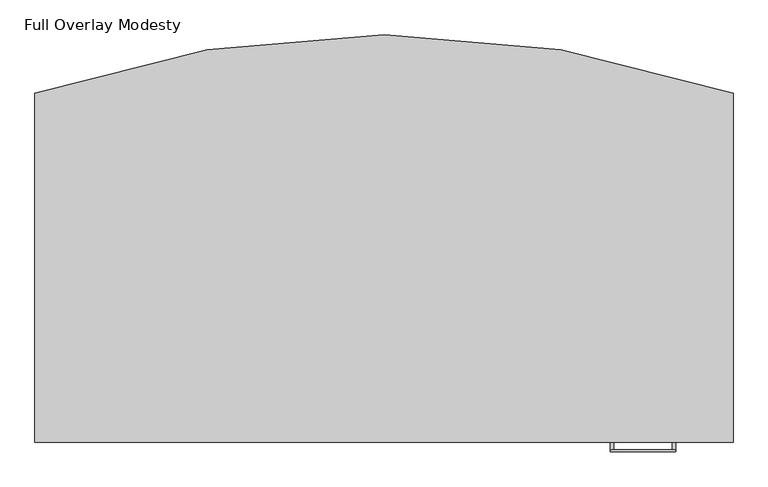
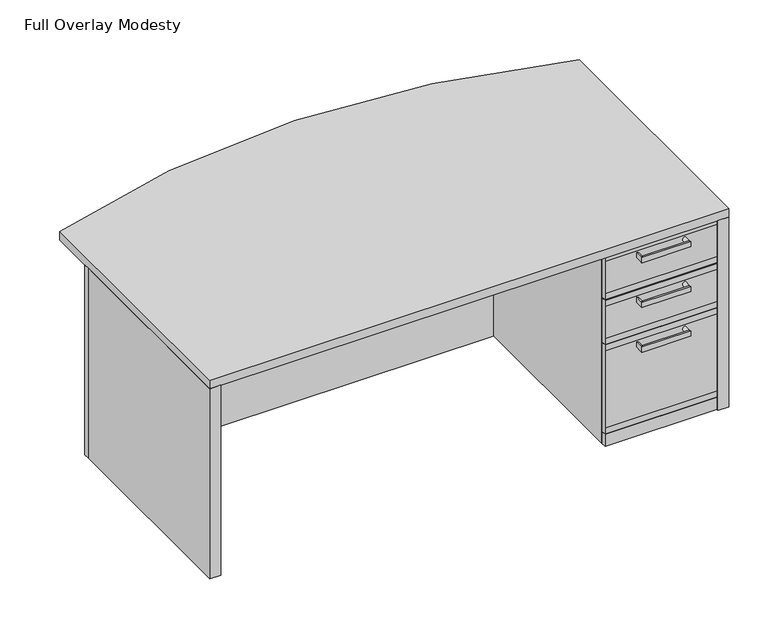
"""IFC4 building model written with IfcOpenShell, lengths in millimetres: furniture geometry, Full Overlay Modesty."""

from ifc_helpers import new_model, si_unit, point, frame, frame_2d, origin, origin_with_axes, place, context, project, spatial, polyline, circle_curve, trimmed, segment, composite_curve, outline, extrude, source, transform, mapped, element, save
from ifc_brep_helpers import plane_surface, cylinder_surface, advanced_brep


def full_overlay_modesty_787d9681(model_context):
    return source(origin(), model_context, "Body", "SolidModel", [
        advanced_brep(
        [(1331.11875, -1162.05, 665.1625), (1331.11875, -1162.05, 684.2125), (1331.11875, -1187.4500121, 684.2125), (1331.11875, -1187.4500121, 665.1625), (1331.11875, -1193.7999879, 665.1625), (1331.11875, -1193.7999879, 684.2125), (1502.56875, -1162.05, 665.1960294), (1502.56875, -1162.05, 684.1789706), (1502.56875, -1187.4500121, 665.1960294), (1502.56875, -1187.4500121, 684.1789706), (1502.56875, -1193.7999879, 684.2125), (1502.56875, -1193.7999879, 665.1625)],
        [
            (0, 1),
            (1, 0, circle_curve(frame((1331.11875, -1162.05, 674.6875), z_axis=(0.0, 1.0, 0.0), x_axis=(1.0, 0.0, 0.0)), 9.525)),
            (1, 2),
            (2, 3, circle_curve(frame((1331.11875, -1187.4500121, 674.6875), z_axis=(0.0, 1.0, 0.0), x_axis=(1.0, 0.0, 0.0)), 9.525)),
            (3, 0),
            (3, 4),
            (4, 5),
            (5, 2),
            (6, 7, circle_curve(frame((1502.56875, -1162.05, 674.6875), z_axis=(0.0, 1.0, 0.0), x_axis=(-1.0, 0.0, 0.0)), 9.4914706)),
            (7, 6),
            (6, 8),
            (8, 9, circle_curve(frame((1502.56875, -1187.4500121, 674.6875), z_axis=(0.0, 1.0, 0.0), x_axis=(-1.0, 0.0, 0.0)), 9.4914706)),
            (9, 7),
            (9, 10),
            (10, 11),
            (11, 8),
            (10, 5),
            (4, 11),
            (8, 3),
            (2, 9),
        ],
        [
            plane_surface(frame((1340.64375, -1162.05, 674.6875), z_axis=(0.0, 1.0, 0.0), x_axis=(0.0, 0.0, -1.0))),
            cylinder_surface(frame((1331.11875, -1162.05, 674.6875), z_axis=(0.0, -1.0, 0.0), x_axis=(1.0, 0.0, 0.0)), 9.525),
            plane_surface(frame((1331.11875, -1187.4500121, 684.2125), z_axis=(-1.0, 0.0, 0.0), x_axis=(0.0, 1.0, 0.0))),
            plane_surface(frame((1502.56875, -1162.05, 684.1789706), z_axis=(0.0, 1.0, 0.0), x_axis=(0.0, 0.0, -1.0))),
            cylinder_surface(frame((1502.56875, -1162.05, 674.6875), z_axis=(0.0, -1.0, 0.0), x_axis=(-1.0, 0.0, 0.0)), 9.4914706),
            plane_surface(frame((1502.56875, -1187.4500121, 665.1960294), z_axis=(1.0, 0.0, 0.0), x_axis=(0.0, 1.0, 0.0))),
            plane_surface(frame((1331.11875, -1193.7999879, 684.2125), z_axis=(0.0, -1.0, 0.0), x_axis=(-1.0, 0.0, 0.0))),
            plane_surface(frame((1331.11875, -1187.4500121, 684.2125), z_axis=(0.0, 1.0, 0.0), x_axis=(1.0, 0.0, 0.0))),
            plane_surface(frame((1331.11875, -1193.7999879, 665.1625), z_axis=(0.0, 0.0, -1.0), x_axis=(0.0, 1.0, 0.0))),
            plane_surface(frame((1502.56875, -1193.7999879, 684.2125), z_axis=(0.0, 0.0, 1.0), x_axis=(0.0, 1.0, 0.0))),
        ],
        [
            (0, [[1, 2]]),
            (1, [[-2, 3, 4, 5]]),
            (2, [[-1, -5, 6, 7, 8, -3]]),
            (3, [[9, 10]]),
            (4, [[-9, 11, 12, 13]]),
            (5, [[-10, -13, 14, 15, 16, -11]]),
            (6, [[17, -7, 18, -15]]),
            (7, [[19, -4, 20, -12]]),
            (8, [[-18, -6, -19, -16]]),
            (9, [[-17, -14, -20, -8]]),
        ],
    ),
        extrude(outline(polyline([(-1146.175, 711.2), (-1143.0, 711.2), (-1143.0, 547.6875), (-1146.175, 547.6875), (-1162.05, 547.6875), (-1162.05, 569.9125), (-1162.05, 688.975), (-1162.05, 711.2), (-1146.175, 711.2)])), frame((1219.99375, 0.0, 0.0), z_axis=(1.0, 0.0, 0.0), x_axis=(0.0, 1.0, 0.0)), (0.0, 0.0, 1.0), 393.7),
        advanced_brep(
        [(1331.11875, -1162.05, 498.475), (1331.11875, -1162.05, 517.525), (1331.11875, -1187.4500121, 517.525), (1331.11875, -1187.4500121, 498.475), (1331.11875, -1193.7999879, 498.475), (1331.11875, -1193.7999879, 517.525), (1502.56875, -1162.05, 498.5085294), (1502.56875, -1162.05, 517.4914706), (1502.56875, -1187.4500121, 498.5085294), (1502.56875, -1187.4500121, 517.4914706), (1502.56875, -1193.7999879, 517.525), (1502.56875, -1193.7999879, 498.475)],
        [
            (0, 1),
            (1, 0, circle_curve(frame((1331.11875, -1162.05, 508.0), z_axis=(0.0, 1.0, 0.0), x_axis=(1.0, 0.0, 0.0)), 9.525)),
            (1, 2),
            (2, 3, circle_curve(frame((1331.11875, -1187.4500121, 508.0), z_axis=(0.0, 1.0, 0.0), x_axis=(1.0, 0.0, 0.0)), 9.525)),
            (3, 0),
            (3, 4),
            (4, 5),
            (5, 2),
            (6, 7, circle_curve(frame((1502.56875, -1162.05, 508.0), z_axis=(0.0, 1.0, 0.0), x_axis=(-1.0, 0.0, 0.0)), 9.4914706)),
            (7, 6),
            (6, 8),
            (8, 9, circle_curve(frame((1502.56875, -1187.4500121, 508.0), z_axis=(0.0, 1.0, 0.0), x_axis=(-1.0, 0.0, 0.0)), 9.4914706)),
            (9, 7),
            (9, 10),
            (10, 11),
            (11, 8),
            (10, 5),
            (4, 11),
            (8, 3),
            (2, 9),
        ],
        [
            plane_surface(frame((1340.64375, -1162.05, 508.0), z_axis=(0.0, 1.0, 0.0), x_axis=(0.0, 0.0, -1.0))),
            cylinder_surface(frame((1331.11875, -1162.05, 508.0), z_axis=(0.0, -1.0, 0.0), x_axis=(1.0, 0.0, 0.0)), 9.525),
            plane_surface(frame((1331.11875, -1187.4500121, 517.525), z_axis=(-1.0, 0.0, 0.0), x_axis=(0.0, 1.0, 0.0))),
            plane_surface(frame((1502.56875, -1162.05, 517.4914706), z_axis=(0.0, 1.0, 0.0), x_axis=(0.0, 0.0, -1.0))),
            cylinder_surface(frame((1502.56875, -1162.05, 508.0), z_axis=(0.0, -1.0, 0.0), x_axis=(-1.0, 0.0, 0.0)), 9.4914706),
            plane_surface(frame((1502.56875, -1187.4500121, 498.5085294), z_axis=(1.0, 0.0, 0.0), x_axis=(0.0, 1.0, 0.0))),
            plane_surface(frame((1331.11875, -1193.7999879, 517.525), z_axis=(0.0, -1.0, 0.0), x_axis=(-1.0, 0.0, 0.0))),
            plane_surface(frame((1331.11875, -1187.4500121, 517.525), z_axis=(0.0, 1.0, 0.0), x_axis=(1.0, 0.0, 0.0))),
            plane_surface(frame((1331.11875, -1193.7999879, 498.475), z_axis=(0.0, 0.0, -1.0), x_axis=(0.0, 1.0, 0.0))),
            plane_surface(frame((1502.56875, -1193.7999879, 517.525), z_axis=(0.0, 0.0, 1.0), x_axis=(0.0, 1.0, 0.0))),
        ],
        [
            (0, [[1, 2]]),
            (1, [[-2, 3, 4, 5]]),
            (2, [[-1, -5, 6, 7, 8, -3]]),
            (3, [[9, 10]]),
            (4, [[-9, 11, 12, 13]]),
            (5, [[-10, -13, 14, 15, 16, -11]]),
            (6, [[17, -7, 18, -15]]),
            (7, [[19, -4, 20, -12]]),
            (8, [[-18, -6, -19, -16]]),
            (9, [[-17, -14, -20, -8]]),
        ],
    ),
        extrude(outline(polyline([(-1146.175, 544.5125), (-1143.0, 544.5125), (-1143.0, 381.0), (-1146.175, 381.0), (-1162.05, 381.0), (-1162.05, 403.225), (-1162.05, 522.2875), (-1162.05, 544.5125), (-1146.175, 544.5125)])), frame((1219.99375, 0.0, 0.0), z_axis=(1.0, 0.0, 0.0), x_axis=(0.0, 1.0, 0.0)), (0.0, 0.0, 1.0), 393.7),
        advanced_brep(
        [(1331.11875, -1162.05, 331.7875), (1331.11875, -1162.05, 350.8375), (1331.11875, -1187.4500121, 350.8375), (1331.11875, -1187.4500121, 331.7875), (1331.11875, -1193.7999879, 331.7875), (1331.11875, -1193.7999879, 350.8375), (1502.56875, -1162.05, 331.8210294), (1502.56875, -1162.05, 350.8039706), (1502.56875, -1187.4500121, 331.8210294), (1502.56875, -1187.4500121, 350.8039706), (1502.56875, -1193.7999879, 350.8375), (1502.56875, -1193.7999879, 331.7875)],
        [
            (0, 1),
            (1, 0, circle_curve(frame((1331.11875, -1162.05, 341.3125), z_axis=(0.0, 1.0, 0.0), x_axis=(1.0, 0.0, 0.0)), 9.525)),
            (1, 2),
            (2, 3, circle_curve(frame((1331.11875, -1187.4500121, 341.3125), z_axis=(0.0, 1.0, 0.0), x_axis=(1.0, 0.0, 0.0)), 9.525)),
            (3, 0),
            (3, 4),
            (4, 5),
            (5, 2),
            (6, 7, circle_curve(frame((1502.56875, -1162.05, 341.3125), z_axis=(0.0, 1.0, 0.0), x_axis=(-1.0, 0.0, 0.0)), 9.4914706)),
            (7, 6),
            (6, 8),
            (8, 9, circle_curve(frame((1502.56875, -1187.4500121, 341.3125), z_axis=(0.0, 1.0, 0.0), x_axis=(-1.0, 0.0, 0.0)), 9.4914706)),
            (9, 7),
            (9, 10),
            (10, 11),
            (11, 8),
            (10, 5),
            (4, 11),
            (8, 3),
            (2, 9),
        ],
        [
            plane_surface(frame((1340.64375, -1162.05, 341.3125), z_axis=(0.0, 1.0, 0.0), x_axis=(0.0, 0.0, -1.0))),
            cylinder_surface(frame((1331.11875, -1162.05, 341.3125), z_axis=(0.0, -1.0, 0.0), x_axis=(1.0, 0.0, 0.0)), 9.525),
            plane_surface(frame((1331.11875, -1187.4500121, 350.8375), z_axis=(-1.0, 0.0, 0.0), x_axis=(0.0, 1.0, 0.0))),
            plane_surface(frame((1502.56875, -1162.05, 350.8039706), z_axis=(0.0, 1.0, 0.0), x_axis=(0.0, 0.0, -1.0))),
            cylinder_surface(frame((1502.56875, -1162.05, 341.3125), z_axis=(0.0, -1.0, 0.0), x_axis=(-1.0, 0.0, 0.0)), 9.4914706),
            plane_surface(frame((1502.56875, -1187.4500121, 331.8210294), z_axis=(1.0, 0.0, 0.0), x_axis=(0.0, 1.0, 0.0))),
            plane_surface(frame((1331.11875, -1193.7999879, 350.8375), z_axis=(0.0, -1.0, 0.0), x_axis=(-1.0, 0.0, 0.0))),
            plane_surface(frame((1331.11875, -1187.4500121, 350.8375), z_axis=(0.0, 1.0, 0.0), x_axis=(1.0, 0.0, 0.0))),
            plane_surface(frame((1331.11875, -1193.7999879, 331.7875), z_axis=(0.0, 0.0, -1.0), x_axis=(0.0, 1.0, 0.0))),
            plane_surface(frame((1502.56875, -1193.7999879, 350.8375), z_axis=(0.0, 0.0, 1.0), x_axis=(0.0, 1.0, 0.0))),
        ],
        [
            (0, [[1, 2]]),
            (1, [[-2, 3, 4, 5]]),
            (2, [[-1, -5, 6, 7, 8, -3]]),
            (3, [[9, 10]]),
            (4, [[-9, 11, 12, 13]]),
            (5, [[-10, -13, 14, 15, 16, -11]]),
            (6, [[17, -7, 18, -15]]),
            (7, [[19, -4, 20, -12]]),
            (8, [[-18, -6, -19, -16]]),
            (9, [[-17, -14, -20, -8]]),
        ],
    ),
        extrude(outline(polyline([(-1146.175, 377.825), (-1143.0, 377.825), (-1143.0, 47.625), (-1146.175, 47.625), (-1162.05, 47.625), (-1162.05, 69.85), (-1162.05, 355.6), (-1162.05, 377.825), (-1146.175, 377.825)])), frame((1219.99375, 0.0, 0.0), z_axis=(1.0, 0.0, 0.0), x_axis=(0.0, 1.0, 0.0)), (0.0, 0.0, 1.0), 393.7),
        extrude(outline(polyline([(1239.04375, -425.45), (1594.64375, -425.45), (1594.64375, -1143.0), (1239.04375, -1143.0), (1239.04375, -425.45)])), origin_with_axes(), (0.0, 0.0, 1.0), 19.05),
        extrude(outline(polyline([(1239.04375, -425.45), (1594.64375, -425.45), (1594.64375, -444.5), (1239.04375, -444.5), (1239.04375, -425.45)])), frame((0.0, 0.0, 492.125), z_axis=(0.0, 0.0, 1.0), x_axis=(1.0, 0.0, 0.0)), (0.0, 0.0, 1.0), 219.075),
        extrude(outline(polyline([(1239.04375, -527.05), (1594.64375, -527.05), (1594.64375, -1143.0), (1239.04375, -1143.0), (1239.04375, -527.05)])), frame((0.0, 0.0, 693.7375), z_axis=(0.0, 0.0, 1.0), x_axis=(1.0, 0.0, 0.0)), (0.0, 0.0, 1.0), 19.05),
        extrude(outline(polyline([(1613.69375, -425.45), (1613.69375, -1143.0), (1594.64375, -1143.0), (1594.64375, -425.45), (1613.69375, -425.45)])), origin_with_axes(), (0.0, 0.0, 1.0), 711.2),
        extrude(outline(polyline([(1613.69375, -1143.0), (1613.69375, -1162.05), (1219.99375, -1162.05), (1219.99375, -1143.0), (1613.69375, -1143.0)])), origin_with_axes(), (0.0, 0.0, 1.0), 44.45),
        extrude(outline(polyline([(1239.04375, -425.45), (1239.04375, -1143.0), (1219.99375, -1143.0), (1219.99375, -425.45), (1239.04375, -425.45)])), origin_with_axes(), (0.0, 0.0, 1.0), 711.2),
        extrude(outline(polyline([(275.43125, -406.4), (275.43125, -463.55), (1200.94375, -463.55), (1200.94375, -406.4), (1652.5875, -406.4), (1652.5875, -425.45), (1219.99375, -425.45), (1219.99375, -482.6), (256.38125, -482.6), (256.38125, -425.45), (-176.2125, -425.45), (-176.2125, -406.4), (275.43125, -406.4)])), origin_with_axes(), (0.0, 0.0, 1.0), 708.025),
        extrude(outline(polyline([(1652.5875, -425.45), (1652.5875, -1168.4), (1613.69375, -1168.4), (1613.69375, -425.45), (1652.5875, -425.45)])), origin_with_axes(), (0.0, 0.0, 1.0), 708.025),
        extrude(outline(polyline([(-137.31875, -425.45), (-137.31875, -1168.4), (-176.2125, -1168.4), (-176.2125, -425.45), (-137.31875, -425.45)])), origin_with_axes(), (0.0, 0.0, 1.0), 708.025),
        extrude(outline(composite_curve([segment(trimmed(circle_curve(frame_2d((738.1875, -2917.9854055)), 2816.5485263), [point((-176.2125, -254.0))], [point((1652.5875, -254.0))], False, "CARTESIAN"), True, "CONTINUOUS"), segment(polyline([(1652.5875, -254.0), (1652.5875, -1168.4), (-176.2125, -1168.4), (-176.2125, -254.0)]), True, "CONTINUOUS")], self_intersect=False)), frame((0.0, 0.0, 708.025), z_axis=(0.0, 0.0, 1.0), x_axis=(1.0, 0.0, 0.0)), (0.0, 0.0, 1.0), 31.75),
    ])


if __name__ == "__main__":
    model = new_model("IFC4")
    model_context = context("Model", 3, world=origin())
    ifc_project = project(units=[si_unit("LENGTHUNIT", "METRE", prefix="MILLI")], contexts=[model_context])
    site = spatial("IfcSite", under=ifc_project)
    building = spatial("IfcBuilding", under=site)
    placement = place(None, origin())
    full_overlay_modesty_shape = full_overlay_modesty_787d9681(model_context)
    element("IfcFurniture", 1, ObjectType="Full Overlay Modesty", at=placement, inside=building, context=model_context, shape_type="MappedRepresentation", body=[
        mapped(full_overlay_modesty_shape, transform((0.0, 0.0, 0.0), x_axis=(1.0, 0.0, 0.0), y_axis=(0.0, 1.0, 0.0), z_axis=(0.0, 0.0, 1.0))),
    ])
    save(model, "model.ifc")
